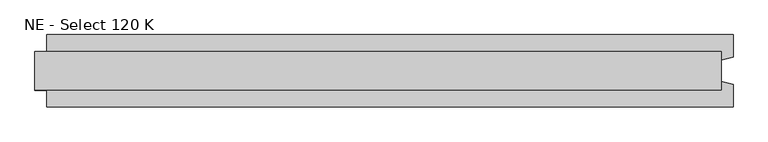
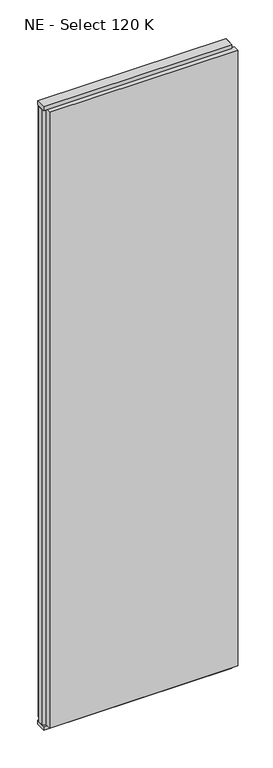
"""IFC4 building model written with IfcOpenShell, lengths in millimetres: plate geometry, NE - Select 120 K."""

from ifc_helpers import new_model, si_unit, frame, origin, origin_with_axes, place, context, project, spatial, polyline, outline, extrude, source, transform, mapped, element, save


def ne_select_120_k_c5b44ee4(model_context):
    return source(origin(), model_context, "Body", "SweptSolid", [
        extrude(outline(polyline([(590.5, 60.0), (590.5, 22.9993165), (570.5, 17.6401049), (570.5, -17.6401049), (590.5, -22.9993165), (590.5, -60.0), (-550.5, -60.0), (-550.5, -22.9993165), (-570.5, -17.6401049), (-570.5, 17.6401049), (-550.5, 22.9993165), (-550.5, 60.0), (590.5, 60.0)])), frame((0.0, 0.0, 25.0), z_axis=(0.0, 0.0, 1.0), x_axis=(1.0, 0.0, 0.0)), (0.0, 0.0, 1.0), 3950.0),
        extrude(outline(polyline([(570.5, 32.0), (570.5, -32.0), (-570.5, -32.0), (-570.5, 32.0), (570.5, 32.0)])), origin_with_axes(), (0.0, 0.0, 1.0), 25.0),
        extrude(outline(polyline([(570.5, 32.0), (570.5, -32.0), (-570.5, -32.0), (-570.5, 32.0), (570.5, 32.0)])), frame((0.0, 0.0, 3975.0), z_axis=(0.0, 0.0, 1.0), x_axis=(1.0, 0.0, 0.0)), (0.0, 0.0, 1.0), 25.0),
    ])


if __name__ == "__main__":
    model = new_model("IFC4")
    model_context = context("Model", 3, world=origin())
    ifc_project = project(units=[si_unit("LENGTHUNIT", "METRE", prefix="MILLI")], contexts=[model_context])
    site = spatial("IfcSite", under=ifc_project)
    building = spatial("IfcBuilding", under=site)
    placement = place(None, origin())
    ne_select_120_k_shape = ne_select_120_k_c5b44ee4(model_context)
    element("IfcPlate", 1, ObjectType="NE - Select 120 K", at=placement, inside=building, context=model_context, shape_type="MappedRepresentation", body=[
        mapped(ne_select_120_k_shape, transform((0.0, 0.0, 0.0), x_axis=(1.0, 0.0, 0.0), y_axis=(0.0, 1.0, 0.0), z_axis=(0.0, 0.0, 1.0))),
    ])
    save(model, "model.ifc")
